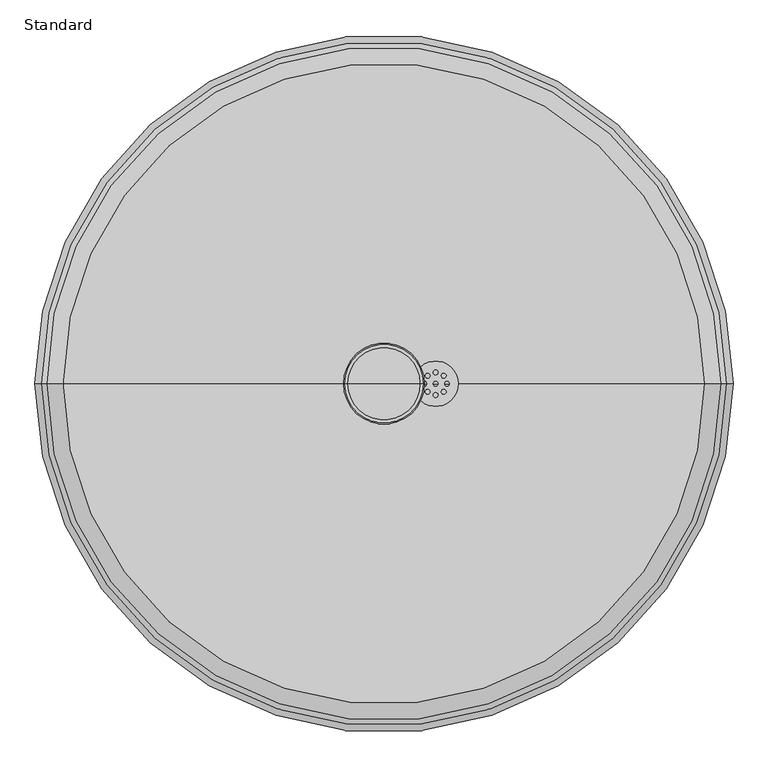
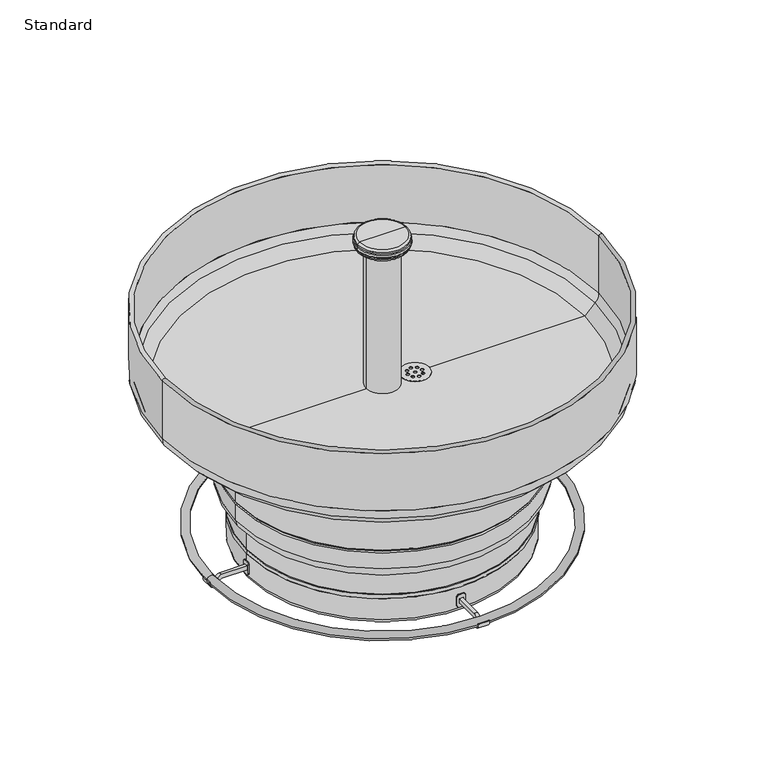
"""IFC4 building model written with IfcOpenShell, lengths in millimetres: flow terminal geometry, Standard."""

from ifc_helpers import new_model, si_unit, point, frame, frame_2d, origin, place, context, project, spatial, polyline, circle_curve, ellipse_curve, trimmed, segment, composite_curve, outline, extrude, source, transform, mapped, element, save
from ifc_brep_helpers import plane_surface, cylinder_surface, revolved_surface, advanced_brep


def standard_7096fe48(model_context):
    return source(origin(), model_context, "Body", "SolidModel", [
        extrude(outline(composite_curve([segment(trimmed(circle_curve(frame_2d((101.6, 0.0)), 44.45), [point((146.05, 0.0))], [point((57.15, 0.0))], False, "CARTESIAN"), True, "CONTINUOUS"), segment(trimmed(circle_curve(frame_2d((101.6, 0.0)), 44.45), [point((57.15, 0.0))], [point((146.05, 0.0))], False, "CARTESIAN"), True, "CONTINUOUS")], self_intersect=False), holes=[composite_curve([segment(trimmed(circle_curve(frame_2d((101.6, 0.0)), 4.6785593), [point((106.2785593, 0.0))], [point((96.9214407, 0.0))], True, "CARTESIAN"), True, "CONTINUOUS"), segment(trimmed(circle_curve(frame_2d((101.6, 0.0)), 4.6785593), [point((96.9214407, 0.0))], [point((106.2785593, 0.0))], True, "CARTESIAN"), True, "CONTINUOUS")], self_intersect=False), composite_curve([segment(trimmed(circle_curve(frame_2d((101.6, 22.2938099)), 4.6785593), [point((106.2785593, 22.2938099))], [point((96.9214407, 22.2938099))], True, "CARTESIAN"), True, "CONTINUOUS"), segment(trimmed(circle_curve(frame_2d((101.6, 22.2938099)), 4.6785593), [point((96.9214407, 22.2938099))], [point((106.2785593, 22.2938099))], True, "CARTESIAN"), True, "CONTINUOUS")], self_intersect=False), composite_curve([segment(trimmed(circle_curve(frame_2d((79.3061901, 0.0)), 4.6785593), [point((83.9847494, 0.0))], [point((74.6276309, 0.0))], True, "CARTESIAN"), True, "CONTINUOUS"), segment(trimmed(circle_curve(frame_2d((79.3061901, 0.0)), 4.6785593), [point((74.6276309, 0.0))], [point((83.9847494, 0.0))], True, "CARTESIAN"), True, "CONTINUOUS")], self_intersect=False), composite_curve([segment(trimmed(circle_curve(frame_2d((101.6, -22.2938099)), 4.6785593), [point((106.2785593, -22.2938099))], [point((96.9214407, -22.2938099))], True, "CARTESIAN"), True, "CONTINUOUS"), segment(trimmed(circle_curve(frame_2d((101.6, -22.2938099)), 4.6785593), [point((96.9214407, -22.2938099))], [point((106.2785593, -22.2938099))], True, "CARTESIAN"), True, "CONTINUOUS")], self_intersect=False), composite_curve([segment(trimmed(circle_curve(frame_2d((123.8938099, 0.0)), 4.6785593), [point((128.5723691, 0.0))], [point((119.2152506, 0.0))], True, "CARTESIAN"), True, "CONTINUOUS"), segment(trimmed(circle_curve(frame_2d((123.8938099, 0.0)), 4.6785593), [point((119.2152506, 0.0))], [point((128.5723691, 0.0))], True, "CARTESIAN"), True, "CONTINUOUS")], self_intersect=False), composite_curve([segment(trimmed(circle_curve(frame_2d((117.3641041, 15.7641041)), 4.6785593), [point((122.0426634, 15.7641041))], [point((112.6855449, 15.7641041))], True, "CARTESIAN"), True, "CONTINUOUS"), segment(trimmed(circle_curve(frame_2d((117.3641041, 15.7641041)), 4.6785593), [point((112.6855449, 15.7641041))], [point((122.0426634, 15.7641041))], True, "CARTESIAN"), True, "CONTINUOUS")], self_intersect=False), composite_curve([segment(trimmed(circle_curve(frame_2d((85.8358959, 15.7641041)), 4.6785593), [point((90.5144551, 15.7641041))], [point((81.1573366, 15.7641041))], True, "CARTESIAN"), True, "CONTINUOUS"), segment(trimmed(circle_curve(frame_2d((85.8358959, 15.7641041)), 4.6785593), [point((81.1573366, 15.7641041))], [point((90.5144551, 15.7641041))], True, "CARTESIAN"), True, "CONTINUOUS")], self_intersect=False), composite_curve([segment(trimmed(circle_curve(frame_2d((85.8358959, -15.7641041)), 4.6785593), [point((90.5144551, -15.7641041))], [point((81.1573366, -15.7641041))], True, "CARTESIAN"), True, "CONTINUOUS"), segment(trimmed(circle_curve(frame_2d((85.8358959, -15.7641041)), 4.6785593), [point((81.1573366, -15.7641041))], [point((90.5144551, -15.7641041))], True, "CARTESIAN"), True, "CONTINUOUS")], self_intersect=False), composite_curve([segment(trimmed(circle_curve(frame_2d((117.3641041, -15.7641041)), 4.6785593), [point((122.0426634, -15.7641041))], [point((112.6855449, -15.7641041))], True, "CARTESIAN"), True, "CONTINUOUS"), segment(trimmed(circle_curve(frame_2d((117.3641041, -15.7641041)), 4.6785593), [point((112.6855449, -15.7641041))], [point((122.0426634, -15.7641041))], True, "CARTESIAN"), True, "CONTINUOUS")], self_intersect=False)]), frame((0.0, 0.0, 495.3), z_axis=(0.0, 0.0, 1.0), x_axis=(1.0, 0.0, 0.0)), (0.0, 0.0, 1.0), 0.7185645),
        advanced_brep(
        [(635.0, 0.0, 482.6005334), (-635.0, 0.0, 482.6005334), (-670.9210245, 0.0, 518.5215579), (670.9210245, 0.0, 518.5215579), (146.05, 0.0, 482.6005334), (57.15, 0.0, 482.6005334), (0.0, 0.0, 482.6005334), (629.7394878, 0.0, 495.3005334), (-629.7394878, 0.0, 495.3005334), (0.0, 0.0, 495.3005334), (57.15, 0.0, 495.3005334), (146.05, 0.0, 495.3005334), (661.9407684, 0.0, 527.501814), (-661.9407684, 0.0, 527.501814), (673.1, 0.0, 554.4425824), (-673.1, 0.0, 554.4425824), (673.1, 0.0, 742.95), (-673.1, 0.0, 742.95), (685.8, 0.0, 742.95), (-685.8, 0.0, 742.95), (685.8, 0.0, 554.4425824), (-685.8, 0.0, 554.4425824)],
        [
            (0, 1, circle_curve(frame((0.0, 0.0, 482.6005334), z_axis=(0.0, 0.0, 1.0), x_axis=(-1.0, 0.0, 0.0)), 635.0)),
            (1, 2),
            (2, 3, circle_curve(frame((0.0, 0.0, 518.5215579), z_axis=(0.0, 0.0, -1.0), x_axis=(-1.0, 0.0, 0.0)), 670.9210245)),
            (3, 0),
            (1, 0, circle_curve(frame((0.0, 0.0, 482.6005334), z_axis=(0.0, 0.0, 1.0), x_axis=(-1.0, 0.0, 0.0)), 635.0)),
            (3, 2, circle_curve(frame((0.0, 0.0, 518.5215579), z_axis=(0.0, 0.0, -1.0), x_axis=(-1.0, 0.0, 0.0)), 670.9210245)),
            (0, 4),
            (4, 5, circle_curve(frame((101.6, 0.0, 482.6005334), z_axis=(0.0, 0.0, 1.0), x_axis=(-1.0, 0.0, 0.0)), 44.45)),
            (5, 6),
            (6, 1),
            (5, 4, circle_curve(frame((101.6, 0.0, 482.6005334), z_axis=(0.0, 0.0, 1.0), x_axis=(-1.0, 0.0, 0.0)), 44.45)),
            (7, 8, circle_curve(frame((0.0, 0.0, 495.3005334), z_axis=(0.0, 0.0, 1.0), x_axis=(-1.0, 0.0, 0.0)), 629.7394878)),
            (8, 9),
            (9, 10),
            (10, 11, circle_curve(frame((101.6, 0.0, 495.3005334), z_axis=(0.0, 0.0, -1.0), x_axis=(-1.0, 0.0, 0.0)), 44.45)),
            (11, 7),
            (8, 7, circle_curve(frame((0.0, 0.0, 495.3005334), z_axis=(0.0, 0.0, 1.0), x_axis=(-1.0, 0.0, 0.0)), 629.7394878)),
            (11, 10, circle_curve(frame((101.6, 0.0, 495.3005334), z_axis=(0.0, 0.0, -1.0), x_axis=(-1.0, 0.0, 0.0)), 44.45)),
            (7, 12),
            (12, 13, circle_curve(frame((0.0, 0.0, 527.501814), z_axis=(0.0, 0.0, 1.0), x_axis=(-1.0, 0.0, 0.0)), 661.9407684)),
            (13, 8),
            (13, 12, circle_curve(frame((0.0, 0.0, 527.501814), z_axis=(0.0, 0.0, 1.0), x_axis=(-1.0, 0.0, 0.0)), 661.9407684)),
            (12, 14, circle_curve(frame((635.0, 0.0, 554.4425824), z_axis=(0.0, -1.0, 0.0), x_axis=(-1.0, 0.0, 0.0)), 38.1)),
            (14, 15, circle_curve(frame((0.0, 0.0, 554.4425824), z_axis=(0.0, 0.0, 1.0), x_axis=(-1.0, 0.0, 0.0)), 673.1)),
            (15, 13, circle_curve(frame((-635.0, 0.0, 554.4425824), z_axis=(0.0, -1.0, 0.0), x_axis=(1.0, 0.0, 0.0)), 38.1)),
            (15, 14, circle_curve(frame((0.0, 0.0, 554.4425824), z_axis=(0.0, 0.0, 1.0), x_axis=(-1.0, 0.0, 0.0)), 673.1)),
            (14, 16),
            (16, 17, circle_curve(frame((0.0, 0.0, 742.95), z_axis=(0.0, 0.0, 1.0), x_axis=(-1.0, 0.0, 0.0)), 673.1)),
            (17, 15),
            (17, 16, circle_curve(frame((0.0, 0.0, 742.95), z_axis=(0.0, 0.0, 1.0), x_axis=(-1.0, 0.0, 0.0)), 673.1)),
            (16, 18, circle_curve(frame((679.45, 0.0, 742.95), z_axis=(0.0, 1.0, 0.0), x_axis=(-1.0, 0.0, 0.0)), 6.35)),
            (18, 19, circle_curve(frame((0.0, 0.0, 742.95), z_axis=(0.0, 0.0, 1.0), x_axis=(-1.0, 0.0, 0.0)), 685.8)),
            (19, 17, circle_curve(frame((-679.45, 0.0, 742.95), z_axis=(0.0, 1.0, 0.0), x_axis=(1.0, 0.0, 0.0)), 6.35)),
            (19, 18, circle_curve(frame((0.0, 0.0, 742.95), z_axis=(0.0, 0.0, 1.0), x_axis=(-1.0, 0.0, 0.0)), 685.8)),
            (18, 20),
            (20, 21, circle_curve(frame((0.0, 0.0, 554.4425824), z_axis=(0.0, 0.0, 1.0), x_axis=(-1.0, 0.0, 0.0)), 685.8)),
            (21, 19),
            (21, 20, circle_curve(frame((0.0, 0.0, 554.4425824), z_axis=(0.0, 0.0, 1.0), x_axis=(-1.0, 0.0, 0.0)), 685.8)),
            (2, 21, circle_curve(frame((-635.0, 0.0, 554.4425824), z_axis=(0.0, 1.0, 0.0), x_axis=(1.0, 0.0, 0.0)), 50.8)),
            (20, 3, circle_curve(frame((635.0, 0.0, 554.4425824), z_axis=(0.0, 1.0, 0.0), x_axis=(-1.0, 0.0, 0.0)), 50.8)),
            (4, 11),
            (10, 5),
        ],
        [
            revolved_surface(polyline([(-670.9210245, 0.0, 518.5215579), (-635.0, 0.0, 482.6005334)]), (0.0, 0.0, 844.793579), (0.0, 0.0, -1.0)),
            plane_surface(frame((0.0, 0.0, 482.6005334), z_axis=(0.0, 0.0, -1.0), x_axis=(-1.0, 0.0, 0.0))),
            plane_surface(frame((0.0, 0.0, 495.3005334), z_axis=(0.0, 0.0, 1.0), x_axis=(-1.0, 0.0, 0.0))),
            revolved_surface(polyline([(-629.7394878, 0.0, 495.3005334), (-661.9407684, 0.0, 527.501814)]), (0.0, 0.0, 844.793579), (0.0, 0.0, -1.0)),
            revolved_surface(trimmed(ellipse_curve(frame((-635.0, 0.0, 554.4425824), z_axis=(0.0, 1.0, 0.0), x_axis=(1.0, 0.0, 0.0)), 38.1, 38.1), [point((-661.9407684, 0.0, 527.501814))], [point((-673.1, 0.0, 554.4425824))], True, "CARTESIAN"), (0.0, 0.0, 844.793579), (0.0, 0.0, -1.0)),
            revolved_surface(polyline([(-673.1, 0.0, 554.4425824), (-673.1, 0.0, 742.95)]), (0.0, 0.0, 844.793579), (0.0, 0.0, -1.0)),
            revolved_surface(trimmed(ellipse_curve(frame((-679.45, 0.0, 742.95), z_axis=(0.0, -1.0, 0.0), x_axis=(1.0, 0.0, 0.0)), 6.35, 6.35), [point((-673.1, 0.0, 742.95))], [point((-685.8, 0.0, 742.95))], True, "CARTESIAN"), (0.0, 0.0, 844.793579), (0.0, 0.0, -1.0)),
            cylinder_surface(frame((0.0, 0.0, 844.793579), z_axis=(0.0, 0.0, -1.0), x_axis=(-1.0, 0.0, 0.0)), 685.8),
            revolved_surface(trimmed(ellipse_curve(frame((-635.0, 0.0, 554.4425824), z_axis=(0.0, -1.0, 0.0), x_axis=(1.0, 0.0, 0.0)), 50.8, 50.8), [point((-685.8, 0.0, 554.4425824))], [point((-670.9210245, 0.0, 518.5215579))], True, "CARTESIAN"), (0.0, 0.0, 844.793579), (0.0, 0.0, -1.0)),
            revolved_surface(polyline([(57.14999999999999, 0.0, 495.3005334), (57.14999999999999, 0.0, 482.6005334)]), (101.6, 0.0, 482.6), (0.0, 0.0, 1.0)),
        ],
        [
            (0, [[1, 2, 3, 4]]),
            (0, [[-2, 5, -4, 6]]),
            (1, [[-1, 7, 8, 9, 10]]),
            (1, [[-5, -10, -9, 11, -7]]),
            (2, [[12, 13, 14, 15, 16]]),
            (2, [[-13, 17, -16, 18, -14]]),
            (3, [[-12, 19, 20, 21]]),
            (3, [[-17, -21, 22, -19]]),
            (4, [[-20, 23, 24, 25]]),
            (4, [[-22, -25, 26, -23]]),
            (5, [[-24, 27, 28, 29]]),
            (5, [[-26, -29, 30, -27]]),
            (6, [[-28, 31, 32, 33]]),
            (6, [[-30, -33, 34, -31]]),
            (7, [[-32, 35, 36, 37]]),
            (7, [[-34, -37, 38, -35]]),
            (8, [[-3, 39, -36, 40]]),
            (8, [[-6, -40, -38, -39]]),
            (9, [[41, -15, 42, -8]]),
            (9, [[-41, -11, -42, -18]]),
        ],
    ),
        advanced_brep(
        [(453.0634322, 0.0, 368.3005334), (-453.0634322, 0.0, 368.3005334), (-456.2384322, 0.0, 371.4755334), (456.2384322, 0.0, 371.4755334), (453.0634322, 0.0, 365.1255334), (-453.0634322, 0.0, 365.1255334), (456.2384322, 0.0, 361.9505334), (-456.2384322, 0.0, 361.9505334), (456.2384322, 0.0, 265.1130334), (-456.2384322, 0.0, 265.1130334), (453.0634322, 0.0, 261.9380334), (-453.0634322, 0.0, 261.9380334), (453.0634322, 0.0, 258.7630334), (-453.0634322, 0.0, 258.7630334), (456.2384322, 0.0, 255.5880334), (-456.2384322, 0.0, 255.5880334), (456.2384322, 0.0, 203.2005334), (-456.2384322, 0.0, 203.2005334), (422.0540454, 0.0, 165.3022752), (-422.0540454, 0.0, 165.3022752), (422.0540454, 0.0, 96.6597), (-422.0540454, 0.0, 96.6597), (423.2732454, 0.0, 95.04299), (-423.2732454, 0.0, 95.04299), (423.2732454, 0.0, 82.4014354), (-423.2732454, 0.0, 82.4014354), (422.0540454, 0.0, 80.7847), (-422.0540454, 0.0, 80.7847), (422.0540454, 0.0, 12.7), (-422.0540454, 0.0, 12.7), (409.3540454, 0.0, 0.0), (-409.3540454, 0.0, 0.0), (0.0, 0.0, 0.0), (456.2384322, 0.0, 482.6005334), (-456.2384322, 0.0, 482.6005334), (0.0, 0.0, 482.6005334)],
        [
            (0, 1, circle_curve(frame((0.0, 0.0, 368.3005334), z_axis=(0.0, 0.0, 1.0), x_axis=(-1.0, 0.0, 0.0)), 453.0634322)),
            (1, 2),
            (2, 3, circle_curve(frame((0.0, 0.0, 371.4755334), z_axis=(0.0, 0.0, -1.0), x_axis=(-1.0, 0.0, 0.0)), 456.2384322)),
            (3, 0),
            (1, 0, circle_curve(frame((0.0, 0.0, 368.3005334), z_axis=(0.0, 0.0, 1.0), x_axis=(-1.0, 0.0, 0.0)), 453.0634322)),
            (3, 2, circle_curve(frame((0.0, 0.0, 371.4755334), z_axis=(0.0, 0.0, -1.0), x_axis=(-1.0, 0.0, 0.0)), 456.2384322)),
            (4, 5, circle_curve(frame((0.0, 0.0, 365.1255334), z_axis=(0.0, 0.0, 1.0), x_axis=(-1.0, 0.0, 0.0)), 453.0634322)),
            (5, 1),
            (0, 4),
            (5, 4, circle_curve(frame((0.0, 0.0, 365.1255334), z_axis=(0.0, 0.0, 1.0), x_axis=(-1.0, 0.0, 0.0)), 453.0634322)),
            (6, 7, circle_curve(frame((0.0, 0.0, 361.9505334), z_axis=(0.0, 0.0, 1.0), x_axis=(-1.0, 0.0, 0.0)), 456.2384322)),
            (7, 5),
            (4, 6),
            (7, 6, circle_curve(frame((0.0, 0.0, 361.9505334), z_axis=(0.0, 0.0, 1.0), x_axis=(-1.0, 0.0, 0.0)), 456.2384322)),
            (8, 9, circle_curve(frame((0.0, 0.0, 265.1130334), z_axis=(0.0, 0.0, 1.0), x_axis=(-1.0, 0.0, 0.0)), 456.2384322)),
            (9, 7),
            (6, 8),
            (9, 8, circle_curve(frame((0.0, 0.0, 265.1130334), z_axis=(0.0, 0.0, 1.0), x_axis=(-1.0, 0.0, 0.0)), 456.2384322)),
            (10, 11, circle_curve(frame((0.0, 0.0, 261.9380334), z_axis=(0.0, 0.0, 1.0), x_axis=(-1.0, 0.0, 0.0)), 453.0634322)),
            (11, 9),
            (8, 10),
            (11, 10, circle_curve(frame((0.0, 0.0, 261.9380334), z_axis=(0.0, 0.0, 1.0), x_axis=(-1.0, 0.0, 0.0)), 453.0634322)),
            (12, 13, circle_curve(frame((0.0, 0.0, 258.7630334), z_axis=(0.0, 0.0, 1.0), x_axis=(-1.0, 0.0, 0.0)), 453.0634322)),
            (13, 11),
            (10, 12),
            (13, 12, circle_curve(frame((0.0, 0.0, 258.7630334), z_axis=(0.0, 0.0, 1.0), x_axis=(-1.0, 0.0, 0.0)), 453.0634322)),
            (14, 15, circle_curve(frame((0.0, 0.0, 255.5880334), z_axis=(0.0, 0.0, 1.0), x_axis=(-1.0, 0.0, 0.0)), 456.2384322)),
            (15, 13),
            (12, 14),
            (15, 14, circle_curve(frame((0.0, 0.0, 255.5880334), z_axis=(0.0, 0.0, 1.0), x_axis=(-1.0, 0.0, 0.0)), 456.2384322)),
            (16, 17, circle_curve(frame((0.0, 0.0, 203.2005334), z_axis=(0.0, 0.0, 1.0), x_axis=(-1.0, 0.0, 0.0)), 456.2384322)),
            (17, 15),
            (14, 16),
            (17, 16, circle_curve(frame((0.0, 0.0, 203.2005334), z_axis=(0.0, 0.0, 1.0), x_axis=(-1.0, 0.0, 0.0)), 456.2384322)),
            (18, 19, circle_curve(frame((0.0, 0.0, 165.3022752), z_axis=(0.0, 0.0, 1.0), x_axis=(-1.0, 0.0, 0.0)), 422.0540454)),
            (19, 17, circle_curve(frame((-418.1384322, 0.0, 203.2005334), z_axis=(0.0, 1.0, 0.0), x_axis=(1.0, 0.0, 0.0)), 38.1)),
            (16, 18, circle_curve(frame((418.1384322, 0.0, 203.2005334), z_axis=(0.0, 1.0, 0.0), x_axis=(-1.0, 0.0, 0.0)), 38.1)),
            (19, 18, circle_curve(frame((0.0, 0.0, 165.3022752), z_axis=(0.0, 0.0, 1.0), x_axis=(-1.0, 0.0, 0.0)), 422.0540454)),
            (20, 21, circle_curve(frame((0.0, 0.0, 96.6597), z_axis=(0.0, 0.0, 1.0), x_axis=(-1.0, 0.0, 0.0)), 422.0540454)),
            (21, 19),
            (18, 20),
            (21, 20, circle_curve(frame((0.0, 0.0, 96.6597), z_axis=(0.0, 0.0, 1.0), x_axis=(-1.0, 0.0, 0.0)), 422.0540454)),
            (22, 23, circle_curve(frame((0.0, 0.0, 95.04299), z_axis=(0.0, 0.0, 1.0), x_axis=(-1.0, 0.0, 0.0)), 423.2732454)),
            (23, 21),
            (20, 22),
            (23, 22, circle_curve(frame((0.0, 0.0, 95.04299), z_axis=(0.0, 0.0, 1.0), x_axis=(-1.0, 0.0, 0.0)), 423.2732454)),
            (24, 25, circle_curve(frame((0.0, 0.0, 82.4014354), z_axis=(0.0, 0.0, 1.0), x_axis=(-1.0, 0.0, 0.0)), 423.2732454)),
            (25, 23),
            (22, 24),
            (25, 24, circle_curve(frame((0.0, 0.0, 82.4014354), z_axis=(0.0, 0.0, 1.0), x_axis=(-1.0, 0.0, 0.0)), 423.2732454)),
            (26, 27, circle_curve(frame((0.0, 0.0, 80.7847), z_axis=(0.0, 0.0, 1.0), x_axis=(-1.0, 0.0, 0.0)), 422.0540454)),
            (27, 25),
            (24, 26),
            (27, 26, circle_curve(frame((0.0, 0.0, 80.7847), z_axis=(0.0, 0.0, 1.0), x_axis=(-1.0, 0.0, 0.0)), 422.0540454)),
            (28, 29, circle_curve(frame((0.0, 0.0, 12.7), z_axis=(0.0, 0.0, 1.0), x_axis=(-1.0, 0.0, 0.0)), 422.0540454)),
            (29, 27),
            (26, 28),
            (29, 28, circle_curve(frame((0.0, 0.0, 12.7), z_axis=(0.0, 0.0, 1.0), x_axis=(-1.0, 0.0, 0.0)), 422.0540454)),
            (30, 31, circle_curve(frame((0.0, 0.0, 0.0), z_axis=(0.0, 0.0, 1.0), x_axis=(-1.0, 0.0, 0.0)), 409.3540454)),
            (31, 29, circle_curve(frame((-409.3540454, 0.0, 12.7), z_axis=(0.0, 1.0, 0.0), x_axis=(1.0, 0.0, 0.0)), 12.7)),
            (28, 30, circle_curve(frame((409.3540454, 0.0, 12.7), z_axis=(0.0, 1.0, 0.0), x_axis=(-1.0, 0.0, 0.0)), 12.7)),
            (31, 30, circle_curve(frame((0.0, 0.0, 0.0), z_axis=(0.0, 0.0, 1.0), x_axis=(-1.0, 0.0, 0.0)), 409.3540454)),
            (32, 31),
            (30, 32),
            (33, 34, circle_curve(frame((0.0, 0.0, 482.6005334), z_axis=(0.0, 0.0, 1.0), x_axis=(-1.0, 0.0, 0.0)), 456.2384322)),
            (34, 35),
            (35, 33),
            (34, 33, circle_curve(frame((0.0, 0.0, 482.6005334), z_axis=(0.0, 0.0, 1.0), x_axis=(-1.0, 0.0, 0.0)), 456.2384322)),
            (2, 34),
            (33, 3),
        ],
        [
            revolved_surface(polyline([(-456.2384322, 0.0, 371.4755334), (-453.0634322, 0.0, 368.3005334)]), (0.0, 0.0, 635.0005334), (0.0, 0.0, -1.0)),
            cylinder_surface(frame((0.0, 0.0, 635.0005334), z_axis=(0.0, 0.0, -1.0), x_axis=(-1.0, 0.0, 0.0)), 453.0634322),
            revolved_surface(polyline([(-453.0634322, 0.0, 365.1255334), (-456.2384322, 0.0, 361.9505334)]), (0.0, 0.0, 635.0005334), (0.0, 0.0, -1.0)),
            cylinder_surface(frame((0.0, 0.0, 635.0005334), z_axis=(0.0, 0.0, -1.0), x_axis=(-1.0, 0.0, 0.0)), 456.2384322),
            revolved_surface(polyline([(-456.2384322, 0.0, 265.1130334), (-453.0634322, 0.0, 261.9380334)]), (0.0, 0.0, 635.0005334), (0.0, 0.0, -1.0)),
            revolved_surface(polyline([(-453.0634322, 0.0, 258.7630334), (-456.2384322, 0.0, 255.5880334)]), (0.0, 0.0, 635.0005334), (0.0, 0.0, -1.0)),
            revolved_surface(trimmed(ellipse_curve(frame((-418.1384322, 0.0, 203.2005334), z_axis=(0.0, -1.0, 0.0), x_axis=(1.0, 0.0, 0.0)), 38.1, 38.1), [point((-456.2384322, 0.0, 203.2005334))], [point((-422.0540454, 0.0, 165.3022752))], True, "CARTESIAN"), (0.0, 0.0, 635.0005334), (0.0, 0.0, -1.0)),
            cylinder_surface(frame((0.0, 0.0, 635.0005334), z_axis=(0.0, 0.0, -1.0), x_axis=(-1.0, 0.0, 0.0)), 422.0540454),
            revolved_surface(polyline([(-422.0540454, 0.0, 96.6597), (-423.2732454, 0.0, 95.04299)]), (0.0, 0.0, 635.0005334), (0.0, 0.0, -1.0)),
            cylinder_surface(frame((0.0, 0.0, 635.0005334), z_axis=(0.0, 0.0, -1.0), x_axis=(-1.0, 0.0, 0.0)), 423.2732454),
            revolved_surface(polyline([(-423.2732454, 0.0, 82.4014354), (-422.0540454, 0.0, 80.7847)]), (0.0, 0.0, 635.0005334), (0.0, 0.0, -1.0)),
            revolved_surface(trimmed(ellipse_curve(frame((-409.3540454, 0.0, 12.7), z_axis=(0.0, -1.0, 0.0), x_axis=(1.0, 0.0, 0.0)), 12.7, 12.7), [point((-422.0540454, 0.0, 12.7))], [point((-409.3540454, 0.0, 0.0))], True, "CARTESIAN"), (0.0, 0.0, 635.0005334), (0.0, 0.0, -1.0)),
            plane_surface(frame((0.0, 0.0, 0.0), z_axis=(0.0, 0.0, -1.0), x_axis=(-1.0, 0.0, 0.0))),
            plane_surface(frame((0.0, 0.0, 482.6005334), z_axis=(0.0, 0.0, 1.0), x_axis=(-1.0, 0.0, 0.0))),
        ],
        [
            (0, [[1, 2, 3, 4]]),
            (0, [[5, -4, 6, -2]]),
            (1, [[7, 8, -1, 9]]),
            (1, [[10, -9, -5, -8]]),
            (2, [[11, 12, -7, 13]]),
            (2, [[14, -13, -10, -12]]),
            (3, [[15, 16, -11, 17]]),
            (3, [[18, -17, -14, -16]]),
            (4, [[19, 20, -15, 21]]),
            (4, [[22, -21, -18, -20]]),
            (1, [[23, 24, -19, 25]]),
            (1, [[26, -25, -22, -24]]),
            (5, [[27, 28, -23, 29]]),
            (5, [[30, -29, -26, -28]]),
            (3, [[31, 32, -27, 33]]),
            (3, [[34, -33, -30, -32]]),
            (6, [[35, 36, -31, 37]]),
            (6, [[38, -37, -34, -36]]),
            (7, [[39, 40, -35, 41]]),
            (7, [[42, -41, -38, -40]]),
            (8, [[43, 44, -39, 45]]),
            (8, [[46, -45, -42, -44]]),
            (9, [[47, 48, -43, 49]]),
            (9, [[50, -49, -46, -48]]),
            (10, [[51, 52, -47, 53]]),
            (10, [[54, -53, -50, -52]]),
            (7, [[55, 56, -51, 57]]),
            (7, [[58, -57, -54, -56]]),
            (11, [[59, 60, -55, 61]]),
            (11, [[62, -61, -58, -60]]),
            (12, [[63, -59, 64]]),
            (12, [[-64, -62, -63]]),
            (13, [[65, 66, 67]]),
            (13, [[68, -67, -66]]),
            (3, [[-3, 69, -65, 70]]),
            (3, [[-6, -70, -68, -69]]),
        ],
    ),
        advanced_brep(
        [(77.089, 0.0, 972.9475334), (-77.089, 0.0, 972.9475334), (-77.089, 0.0, 977.9005334), (77.089, 0.0, 977.9005334), (79.47025, 0.0, 970.5662834), (-79.47025, 0.0, 970.5662834), (79.47025, 0.0, 962.6287834), (-79.47025, 0.0, 962.6287834), (77.089, 0.0, 960.2475334), (-77.089, 0.0, 960.2475334), (77.089, 0.0, 955.2945334), (-77.089, 0.0, 955.2945334), (70.739, 0.0, 948.9445334), (-70.739, 0.0, 948.9445334), (50.8, 0.0, 948.9445334), (-50.8, 0.0, 948.9445334), (50.8, 0.0, 495.3), (-50.8, 0.0, 495.3), (0.0, 0.0, 495.3), (70.739, 0.0, 984.2505334), (-70.739, 0.0, 984.2505334), (0.0, 0.0, 984.2505334)],
        [
            (0, 1, circle_curve(frame((0.0, 0.0, 972.9475334), z_axis=(0.0, 0.0, 1.0), x_axis=(-1.0, 0.0, 0.0)), 77.089)),
            (1, 2),
            (2, 3, circle_curve(frame((0.0, 0.0, 977.9005334), z_axis=(0.0, 0.0, -1.0), x_axis=(-1.0, 0.0, 0.0)), 77.089)),
            (3, 0),
            (1, 0, circle_curve(frame((0.0, 0.0, 972.9475334), z_axis=(0.0, 0.0, 1.0), x_axis=(-1.0, 0.0, 0.0)), 77.089)),
            (3, 2, circle_curve(frame((0.0, 0.0, 977.9005334), z_axis=(0.0, 0.0, -1.0), x_axis=(-1.0, 0.0, 0.0)), 77.089)),
            (4, 5, circle_curve(frame((0.0, 0.0, 970.5662834), z_axis=(0.0, 0.0, 1.0), x_axis=(-1.0, 0.0, 0.0)), 79.47025)),
            (5, 1, circle_curve(frame((-77.089, 0.0, 970.5662834), z_axis=(0.0, 1.0, 0.0), x_axis=(1.0, 0.0, 0.0)), 2.38125)),
            (0, 4, circle_curve(frame((77.089, 0.0, 970.5662834), z_axis=(0.0, 1.0, 0.0), x_axis=(-1.0, 0.0, 0.0)), 2.38125)),
            (5, 4, circle_curve(frame((0.0, 0.0, 970.5662834), z_axis=(0.0, 0.0, 1.0), x_axis=(-1.0, 0.0, 0.0)), 79.47025)),
            (6, 7, circle_curve(frame((0.0, 0.0, 962.6287834), z_axis=(0.0, 0.0, 1.0), x_axis=(-1.0, 0.0, 0.0)), 79.47025)),
            (7, 5),
            (4, 6),
            (7, 6, circle_curve(frame((0.0, 0.0, 962.6287834), z_axis=(0.0, 0.0, 1.0), x_axis=(-1.0, 0.0, 0.0)), 79.47025)),
            (8, 9, circle_curve(frame((0.0, 0.0, 960.2475334), z_axis=(0.0, 0.0, 1.0), x_axis=(-1.0, 0.0, 0.0)), 77.089)),
            (9, 7, circle_curve(frame((-77.089, 0.0, 962.6287834), z_axis=(0.0, 1.0, 0.0), x_axis=(1.0, 0.0, 0.0)), 2.38125)),
            (6, 8, circle_curve(frame((77.089, 0.0, 962.6287834), z_axis=(0.0, 1.0, 0.0), x_axis=(-1.0, 0.0, 0.0)), 2.38125)),
            (9, 8, circle_curve(frame((0.0, 0.0, 960.2475334), z_axis=(0.0, 0.0, 1.0), x_axis=(-1.0, 0.0, 0.0)), 77.089)),
            (10, 11, circle_curve(frame((0.0, 0.0, 955.2945334), z_axis=(0.0, 0.0, 1.0), x_axis=(-1.0, 0.0, 0.0)), 77.089)),
            (11, 9),
            (8, 10),
            (11, 10, circle_curve(frame((0.0, 0.0, 955.2945334), z_axis=(0.0, 0.0, 1.0), x_axis=(-1.0, 0.0, 0.0)), 77.089)),
            (12, 13, circle_curve(frame((0.0, 0.0, 948.9445334), z_axis=(0.0, 0.0, 1.0), x_axis=(-1.0, 0.0, 0.0)), 70.739)),
            (13, 11, circle_curve(frame((-70.739, 0.0, 955.2945334), z_axis=(0.0, 1.0, 0.0), x_axis=(1.0, 0.0, 0.0)), 6.35)),
            (10, 12, circle_curve(frame((70.739, 0.0, 955.2945334), z_axis=(0.0, 1.0, 0.0), x_axis=(-1.0, 0.0, 0.0)), 6.35)),
            (13, 12, circle_curve(frame((0.0, 0.0, 948.9445334), z_axis=(0.0, 0.0, 1.0), x_axis=(-1.0, 0.0, 0.0)), 70.739)),
            (14, 15, circle_curve(frame((0.0, 0.0, 948.9445334), z_axis=(0.0, 0.0, 1.0), x_axis=(-1.0, 0.0, 0.0)), 50.8)),
            (15, 13),
            (12, 14),
            (15, 14, circle_curve(frame((0.0, 0.0, 948.9445334), z_axis=(0.0, 0.0, 1.0), x_axis=(-1.0, 0.0, 0.0)), 50.8)),
            (16, 17, circle_curve(frame((0.0, 0.0, 495.3), z_axis=(0.0, 0.0, 1.0), x_axis=(-1.0, 0.0, 0.0)), 50.8)),
            (17, 15),
            (14, 16),
            (17, 16, circle_curve(frame((0.0, 0.0, 495.3), z_axis=(0.0, 0.0, 1.0), x_axis=(-1.0, 0.0, 0.0)), 50.8)),
            (18, 17),
            (16, 18),
            (19, 20, circle_curve(frame((0.0, 0.0, 984.2505334), z_axis=(0.0, 0.0, 1.0), x_axis=(-1.0, 0.0, 0.0)), 70.739)),
            (20, 21),
            (21, 19),
            (20, 19, circle_curve(frame((0.0, 0.0, 984.2505334), z_axis=(0.0, 0.0, 1.0), x_axis=(-1.0, 0.0, 0.0)), 70.739)),
            (2, 20, circle_curve(frame((-70.739, 0.0, 977.9005334), z_axis=(0.0, 1.0, 0.0), x_axis=(1.0, 0.0, 0.0)), 6.35)),
            (19, 3, circle_curve(frame((70.739, 0.0, 977.9005334), z_axis=(0.0, 1.0, 0.0), x_axis=(-1.0, 0.0, 0.0)), 6.35)),
        ],
        [
            cylinder_surface(frame((0.0, 0.0, 1015.8857941), z_axis=(0.0, 0.0, -1.0), x_axis=(-1.0, 0.0, 0.0)), 77.089),
            revolved_surface(trimmed(ellipse_curve(frame((-77.089, 0.0, 970.5662834), z_axis=(0.0, -1.0, 0.0), x_axis=(1.0, 0.0, 0.0)), 2.38125, 2.38125), [point((-77.089, 0.0, 972.9475334))], [point((-79.47025, 0.0, 970.5662834))], True, "CARTESIAN"), (0.0, 0.0, 1015.8857941), (0.0, 0.0, -1.0)),
            cylinder_surface(frame((0.0, 0.0, 1015.8857941), z_axis=(0.0, 0.0, -1.0), x_axis=(-1.0, 0.0, 0.0)), 79.47025),
            revolved_surface(trimmed(ellipse_curve(frame((-77.089, 0.0, 962.6287834), z_axis=(0.0, -1.0, 0.0), x_axis=(1.0, 0.0, 0.0)), 2.38125, 2.38125), [point((-79.47025, 0.0, 962.6287834))], [point((-77.089, 0.0, 960.2475334))], True, "CARTESIAN"), (0.0, 0.0, 1015.8857941), (0.0, 0.0, -1.0)),
            revolved_surface(trimmed(ellipse_curve(frame((-70.739, 0.0, 955.2945334), z_axis=(0.0, -1.0, 0.0), x_axis=(1.0, 0.0, 0.0)), 6.35, 6.35), [point((-77.089, 0.0, 955.2945334))], [point((-70.739, 0.0, 948.9445334))], True, "CARTESIAN"), (0.0, 0.0, 1015.8857941), (0.0, 0.0, -1.0)),
            plane_surface(frame((0.0, 0.0, 948.9445334), z_axis=(0.0, 0.0, -1.0), x_axis=(-1.0, 0.0, 0.0))),
            cylinder_surface(frame((0.0, 0.0, 1015.8857941), z_axis=(0.0, 0.0, -1.0), x_axis=(-1.0, 0.0, 0.0)), 50.8),
            plane_surface(frame((0.0, 0.0, 495.3), z_axis=(0.0, 0.0, -1.0), x_axis=(-1.0, 0.0, 0.0))),
            plane_surface(frame((0.0, 0.0, 984.2505334), z_axis=(0.0, 0.0, 1.0), x_axis=(-1.0, 0.0, 0.0))),
            revolved_surface(trimmed(ellipse_curve(frame((-70.739, 0.0, 977.9005334), z_axis=(0.0, -1.0, 0.0), x_axis=(1.0, 0.0, 0.0)), 6.35, 6.35), [point((-70.739, 0.0, 984.2505334))], [point((-77.089, 0.0, 977.9005334))], True, "CARTESIAN"), (0.0, 0.0, 1015.8857941), (0.0, 0.0, -1.0)),
        ],
        [
            (0, [[1, 2, 3, 4]]),
            (0, [[5, -4, 6, -2]]),
            (1, [[7, 8, -1, 9]]),
            (1, [[10, -9, -5, -8]]),
            (2, [[11, 12, -7, 13]]),
            (2, [[14, -13, -10, -12]]),
            (3, [[15, 16, -11, 17]]),
            (3, [[18, -17, -14, -16]]),
            (0, [[19, 20, -15, 21]]),
            (0, [[22, -21, -18, -20]]),
            (4, [[23, 24, -19, 25]]),
            (4, [[26, -25, -22, -24]]),
            (5, [[27, 28, -23, 29]]),
            (5, [[30, -29, -26, -28]]),
            (6, [[31, 32, -27, 33]]),
            (6, [[34, -33, -30, -32]]),
            (7, [[35, -31, 36]]),
            (7, [[-36, -34, -35]]),
            (8, [[37, 38, 39]]),
            (8, [[40, -39, -38]]),
            (9, [[-3, 41, -37, 42]]),
            (9, [[-6, -42, -40, -41]]),
        ],
    ),
        extrude(outline(composite_curve([segment(trimmed(circle_curve(frame_2d((52.9491891, -6.2228321)), 6.35), [point((59.2991891, -6.2228321))], [point((52.9491891, -12.5728321))], False, "CARTESIAN"), True, "CONTINUOUS"), segment(polyline([(52.9491891, -12.5728321), (24.3741891, -12.5728321)]), True, "CONTINUOUS"), segment(trimmed(circle_curve(frame_2d((24.3741891, -6.2228321)), 6.35), [point((24.3741891, -12.5728321))], [point((18.0241891, -6.2228321))], False, "CARTESIAN"), True, "CONTINUOUS"), segment(polyline([(18.0241891, -6.2228321), (18.0241891, 6.4771679)]), True, "CONTINUOUS"), segment(trimmed(circle_curve(frame_2d((24.3741891, 6.4771679)), 6.35), [point((18.0241891, 6.4771679))], [point((24.3741891, 12.8271679))], False, "CARTESIAN"), True, "CONTINUOUS"), segment(polyline([(24.3741891, 12.8271679), (52.9491891, 12.8271679)]), True, "CONTINUOUS"), segment(trimmed(circle_curve(frame_2d((52.9491891, 6.4771679)), 6.35), [point((52.9491891, 12.8271679))], [point((59.2991891, 6.4771679))], False, "CARTESIAN"), True, "CONTINUOUS"), segment(polyline([(59.2991891, 6.4771679), (59.2991891, -6.2228321)]), True, "CONTINUOUS")], self_intersect=False), holes=[polyline([(46.1317867, 6.1504042), (31.1915915, 6.1504042), (31.1915915, -6.0566187), (46.1317867, -6.0566187), (46.1317867, 6.1504042)])]), frame((0.0, -425.0728189, 0.0), z_axis=(0.0, 1.0, 0.0), x_axis=(0.0, 0.0, 1.0)), (0.0, 0.0, 1.0), 2.9952129),
        extrude(outline(composite_curve([segment(polyline([(59.2991891, 6.2228321), (59.2991891, -6.4771679)]), True, "CONTINUOUS"), segment(trimmed(circle_curve(frame_2d((52.9491891, -6.4771679)), 6.35), [point((59.2991891, -6.4771679))], [point((52.9491891, -12.8271679))], False, "CARTESIAN"), True, "CONTINUOUS"), segment(polyline([(52.9491891, -12.8271679), (24.3741891, -12.8271679)]), True, "CONTINUOUS"), segment(trimmed(circle_curve(frame_2d((24.3741891, -6.4771679)), 6.35), [point((24.3741891, -12.8271679))], [point((18.0241891, -6.4771679))], False, "CARTESIAN"), True, "CONTINUOUS"), segment(polyline([(18.0241891, -6.4771679), (18.0241891, 6.2228321)]), True, "CONTINUOUS"), segment(trimmed(circle_curve(frame_2d((24.3741891, 6.2228321)), 6.35), [point((18.0241891, 6.2228321))], [point((24.3741891, 12.5728321))], False, "CARTESIAN"), True, "CONTINUOUS"), segment(polyline([(24.3741891, 12.5728321), (52.9491891, 12.5728321)]), True, "CONTINUOUS"), segment(trimmed(circle_curve(frame_2d((52.9491891, 6.2228321)), 6.35), [point((52.9491891, 12.5728321))], [point((59.2991891, 6.2228321))], False, "CARTESIAN"), True, "CONTINUOUS")], self_intersect=False), holes=[polyline([(46.1317867, -6.1504042), (46.1317867, 6.0566187), (31.1915915, 6.0566187), (31.1915915, -6.1504042), (46.1317867, -6.1504042)])]), frame((0.0, 422.0540454, 0.0), z_axis=(0.0, 1.0, 0.0), x_axis=(0.0, 0.0, 1.0)), (0.0, 0.0, 1.0), 2.7244614),
        extrude(outline(composite_curve([segment(trimmed(circle_curve(frame_2d((6.2228321, 52.9491891)), 6.35), [point((6.2228321, 59.2991891))], [point((12.5728321, 52.9491891))], False, "CARTESIAN"), True, "CONTINUOUS"), segment(polyline([(12.5728321, 52.9491891), (12.5728321, 24.3741891)]), True, "CONTINUOUS"), segment(trimmed(circle_curve(frame_2d((6.2228321, 24.3741891)), 6.35), [point((12.5728321, 24.3741891))], [point((6.2228321, 18.0241891))], False, "CARTESIAN"), True, "CONTINUOUS"), segment(polyline([(6.2228321, 18.0241891), (-6.4771679, 18.0241891)]), True, "CONTINUOUS"), segment(trimmed(circle_curve(frame_2d((-6.4771679, 24.3741891)), 6.35), [point((-6.4771679, 18.0241891))], [point((-12.8271679, 24.3741891))], False, "CARTESIAN"), True, "CONTINUOUS"), segment(polyline([(-12.8271679, 24.3741891), (-12.8271679, 52.9491891)]), True, "CONTINUOUS"), segment(trimmed(circle_curve(frame_2d((-6.4771679, 52.9491891)), 6.35), [point((-12.8271679, 52.9491891))], [point((-6.4771679, 59.2991891))], False, "CARTESIAN"), True, "CONTINUOUS"), segment(polyline([(-6.4771679, 59.2991891), (6.2228321, 59.2991891)]), True, "CONTINUOUS")], self_intersect=False), holes=[polyline([(-6.1504042, 46.1317867), (-6.1504042, 31.1915915), (6.0566187, 31.1915915), (6.0566187, 46.1317867), (-6.1504042, 46.1317867)])]), frame((422.0540454, 0.0, 0.0), z_axis=(1.0, 0.0, 0.0), x_axis=(0.0, 1.0, 0.0)), (0.0, 0.0, 1.0), 2.9196842),
        extrude(outline(composite_curve([segment(polyline([(-6.2228321, 59.2991891), (6.4771679, 59.2991891)]), True, "CONTINUOUS"), segment(trimmed(circle_curve(frame_2d((6.4771679, 52.9491891)), 6.35), [point((6.4771679, 59.2991891))], [point((12.8271679, 52.9491891))], False, "CARTESIAN"), True, "CONTINUOUS"), segment(polyline([(12.8271679, 52.9491891), (12.8271679, 24.3741891)]), True, "CONTINUOUS"), segment(trimmed(circle_curve(frame_2d((6.4771679, 24.3741891)), 6.35), [point((12.8271679, 24.3741891))], [point((6.4771679, 18.0241891))], False, "CARTESIAN"), True, "CONTINUOUS"), segment(polyline([(6.4771679, 18.0241891), (-6.2228321, 18.0241891)]), True, "CONTINUOUS"), segment(trimmed(circle_curve(frame_2d((-6.2228321, 24.3741891)), 6.35), [point((-6.2228321, 18.0241891))], [point((-12.5728321, 24.3741891))], False, "CARTESIAN"), True, "CONTINUOUS"), segment(polyline([(-12.5728321, 24.3741891), (-12.5728321, 52.9491891)]), True, "CONTINUOUS"), segment(trimmed(circle_curve(frame_2d((-6.2228321, 52.9491891)), 6.35), [point((-12.5728321, 52.9491891))], [point((-6.2228321, 59.2991891))], False, "CARTESIAN"), True, "CONTINUOUS")], self_intersect=False), holes=[polyline([(6.1504042, 46.1317867), (-6.0566187, 46.1317867), (-6.0566187, 31.1915915), (6.1504042, 31.1915915), (6.1504042, 46.1317867)])]), frame((-424.7785068, 0.0, 0.0), z_axis=(1.0, 0.0, 0.0), x_axis=(0.0, 1.0, 0.0)), (0.0, 0.0, 1.0), 2.7244614),
        extrude(outline(composite_curve([segment(polyline([(422.0776059, 45.0135425), (503.1114607, 45.0135425)]), True, "CONTINUOUS"), segment(trimmed(circle_curve(frame_2d((503.1114607, 27.600308)), 17.4132345), [point((503.1114607, 45.0135425))], [point((518.1835615, 36.3211173))], False, "CARTESIAN"), True, "CONTINUOUS"), segment(trimmed(circle_curve(frame_2d((533.4235615, 36.3211173)), 15.24), [point((518.1835615, 36.3211173))], [point((533.4235615, 21.0811173))], True, "CARTESIAN"), True, "CONTINUOUS"), segment(trimmed(circle_curve(frame_2d((528.4017885, 49.1456666)), 28.5102986), [point((533.4235615, 21.0811173))], [point((506.6992563, 30.656826))], False, "CARTESIAN"), True, "CONTINUOUS"), segment(trimmed(circle_curve(frame_2d((503.1114607, 27.600308)), 4.7132345), [point((506.6992563, 30.656826))], [point((503.1114607, 32.3135425))], True, "CARTESIAN"), True, "CONTINUOUS"), segment(polyline([(503.1114607, 32.3135425), (422.0776059, 32.3135425), (422.0776059, 45.0135425)]), True, "CONTINUOUS")], self_intersect=False)), frame((-4.975411, 0.0, 0.0), z_axis=(1.0, 0.0, 0.0), x_axis=(0.0, 1.0, 0.0)), (0.0, 0.0, 1.0), 10.055411),
        extrude(outline(composite_curve([segment(polyline([(-422.0776059, 45.0135425), (-422.0776059, 32.3135425), (-503.1114607, 32.3135425)]), True, "CONTINUOUS"), segment(trimmed(circle_curve(frame_2d((-503.1114607, 27.600308)), 4.7132345), [point((-503.1114607, 32.3135425))], [point((-506.6992563, 30.656826))], True, "CARTESIAN"), True, "CONTINUOUS"), segment(trimmed(circle_curve(frame_2d((-528.4017885, 49.1456666)), 28.5102986), [point((-506.6992563, 30.656826))], [point((-533.4235615, 21.0811173))], False, "CARTESIAN"), True, "CONTINUOUS"), segment(trimmed(circle_curve(frame_2d((-533.4235615, 36.3211173)), 15.24), [point((-533.4235615, 21.0811173))], [point((-518.1835615, 36.3211173))], True, "CARTESIAN"), True, "CONTINUOUS"), segment(trimmed(circle_curve(frame_2d((-503.1114607, 27.600308)), 17.4132345), [point((-518.1835615, 36.3211173))], [point((-503.1114607, 45.0135425))], False, "CARTESIAN"), True, "CONTINUOUS"), segment(polyline([(-503.1114607, 45.0135425), (-422.0776059, 45.0135425)]), True, "CONTINUOUS")], self_intersect=False)), frame((-4.975411, 0.0, 0.0), z_axis=(1.0, 0.0, 0.0), x_axis=(0.0, 1.0, 0.0)), (0.0, 0.0, 1.0), 10.055411),
        extrude(outline(composite_curve([segment(polyline([(44.8880894, -422.0540454), (44.8880894, -503.0879002)]), True, "CONTINUOUS"), segment(trimmed(circle_curve(frame_2d((27.4748549, -503.0879002)), 17.4132345), [point((44.8880894, -503.0879002))], [point((36.1956642, -518.160001))], False, "CARTESIAN"), True, "CONTINUOUS"), segment(trimmed(circle_curve(frame_2d((36.1956642, -533.400001)), 15.24), [point((36.1956642, -518.160001))], [point((20.9556642, -533.400001))], True, "CARTESIAN"), True, "CONTINUOUS"), segment(trimmed(circle_curve(frame_2d((49.0202134, -528.378228)), 28.5102986), [point((20.9556642, -533.400001))], [point((30.5313729, -506.6756958))], False, "CARTESIAN"), True, "CONTINUOUS"), segment(trimmed(circle_curve(frame_2d((27.4748549, -503.0879002)), 4.7132345), [point((30.5313729, -506.6756958))], [point((32.1880894, -503.0879002))], True, "CARTESIAN"), True, "CONTINUOUS"), segment(polyline([(32.1880894, -503.0879002), (32.1880894, -422.0540454), (44.8880894, -422.0540454)]), True, "CONTINUOUS")], self_intersect=False)), frame((0.0, -5.08, 0.0), z_axis=(0.0, 1.0, 0.0), x_axis=(0.0, 0.0, 1.0)), (0.0, 0.0, 1.0), 10.16),
        extrude(outline(composite_curve([segment(polyline([(44.8880894, 422.0540454), (32.1880894, 422.0540454), (32.1880894, 503.0879002)]), True, "CONTINUOUS"), segment(trimmed(circle_curve(frame_2d((27.4748549, 503.0879002)), 4.7132345), [point((32.1880894, 503.0879002))], [point((30.5313729, 506.6756958))], True, "CARTESIAN"), True, "CONTINUOUS"), segment(trimmed(circle_curve(frame_2d((49.0202134, 528.378228)), 28.5102986), [point((30.5313729, 506.6756958))], [point((20.9556642, 533.400001))], False, "CARTESIAN"), True, "CONTINUOUS"), segment(trimmed(circle_curve(frame_2d((36.1956642, 533.400001)), 15.24), [point((20.9556642, 533.400001))], [point((36.1956642, 518.160001))], True, "CARTESIAN"), True, "CONTINUOUS"), segment(trimmed(circle_curve(frame_2d((27.4748549, 503.0879002)), 17.4132345), [point((36.1956642, 518.160001))], [point((44.8880894, 503.0879002))], False, "CARTESIAN"), True, "CONTINUOUS"), segment(polyline([(44.8880894, 503.0879002), (44.8880894, 422.0540454)]), True, "CONTINUOUS")], self_intersect=False)), frame((0.0, -5.08, 0.0), z_axis=(0.0, 1.0, 0.0), x_axis=(0.0, 0.0, 1.0)), (0.0, 0.0, 1.0), 10.16),
        extrude(outline(composite_curve([segment(trimmed(circle_curve(frame_2d((533.4, 36.195)), 12.7), [point((520.9930527, 38.9075005))], [point((545.6699491, 39.4719419))], True, "CARTESIAN"), True, "CONTINUOUS"), segment(trimmed(circle_curve(frame_2d((546.8969441, 39.7996361)), 1.27), [point((545.6699491, 39.4719419))], [point((548.123939, 40.1273303))], False, "CARTESIAN"), True, "CONTINUOUS"), segment(trimmed(circle_curve(frame_2d((533.4, 36.195)), 15.24), [point((548.123939, 40.1273303))], [point((518.5116633, 39.4500006))], False, "CARTESIAN"), True, "CONTINUOUS"), segment(trimmed(circle_curve(frame_2d((519.752358, 39.1787506)), 1.27), [point((518.5116633, 39.4500006))], [point((520.9930527, 38.9075005))], False, "CARTESIAN"), True, "CONTINUOUS")], self_intersect=False)), frame((-17.018, 0.0, 0.0), z_axis=(1.0, 0.0, 0.0), x_axis=(0.0, 1.0, 0.0)), (0.0, 0.0, 1.0), 34.036),
        extrude(outline(composite_curve([segment(trimmed(circle_curve(frame_2d((-519.752358, 39.1787506)), 1.27), [point((-520.9930527, 38.9075005))], [point((-518.5116633, 39.4500006))], False, "CARTESIAN"), True, "CONTINUOUS"), segment(trimmed(circle_curve(frame_2d((-533.4, 36.195)), 15.24), [point((-518.5116633, 39.4500006))], [point((-548.123939, 40.1273303))], False, "CARTESIAN"), True, "CONTINUOUS"), segment(trimmed(circle_curve(frame_2d((-546.8969441, 39.7996361)), 1.27), [point((-548.123939, 40.1273303))], [point((-545.6699491, 39.4719419))], False, "CARTESIAN"), True, "CONTINUOUS"), segment(trimmed(circle_curve(frame_2d((-533.4, 36.195)), 12.7), [point((-545.6699491, 39.4719419))], [point((-520.9930527, 38.9075005))], True, "CARTESIAN"), True, "CONTINUOUS")], self_intersect=False)), frame((-17.018, 0.0, 0.0), z_axis=(1.0, 0.0, 0.0), x_axis=(0.0, 1.0, 0.0)), (0.0, 0.0, 1.0), 34.036),
        extrude(outline(composite_curve([segment(trimmed(circle_curve(frame_2d((36.1916791, -533.4000004)), 12.7), [point((38.9041796, -520.9930532))], [point((39.4686209, -545.6699496))], True, "CARTESIAN"), True, "CONTINUOUS"), segment(trimmed(circle_curve(frame_2d((39.7963151, -546.8969445)), 1.27), [point((39.4686209, -545.6699496))], [point((40.1240093, -548.1239394))], False, "CARTESIAN"), True, "CONTINUOUS"), segment(trimmed(circle_curve(frame_2d((36.1916791, -533.4000004)), 15.24), [point((40.1240093, -548.1239394))], [point((39.4466797, -518.5116637))], False, "CARTESIAN"), True, "CONTINUOUS"), segment(trimmed(circle_curve(frame_2d((39.1754296, -519.7523584)), 1.27), [point((39.4466797, -518.5116637))], [point((38.9041796, -520.9930532))], False, "CARTESIAN"), True, "CONTINUOUS")], self_intersect=False)), frame((0.0, -17.018, 0.0), z_axis=(0.0, 1.0, 0.0), x_axis=(0.0, 0.0, 1.0)), (0.0, 0.0, 1.0), 34.036),
        extrude(outline(composite_curve([segment(trimmed(circle_curve(frame_2d((39.1754296, 519.7523584)), 1.27), [point((38.9041796, 520.9930532))], [point((39.4466797, 518.5116637))], False, "CARTESIAN"), True, "CONTINUOUS"), segment(trimmed(circle_curve(frame_2d((36.1916791, 533.4000004)), 15.24), [point((39.4466797, 518.5116637))], [point((40.1240093, 548.1239394))], False, "CARTESIAN"), True, "CONTINUOUS"), segment(trimmed(circle_curve(frame_2d((39.7963151, 546.8969445)), 1.27), [point((40.1240093, 548.1239394))], [point((39.4686209, 545.6699496))], False, "CARTESIAN"), True, "CONTINUOUS"), segment(trimmed(circle_curve(frame_2d((36.1916791, 533.4000004)), 12.7), [point((39.4686209, 545.6699496))], [point((38.9041796, 520.9930532))], True, "CARTESIAN"), True, "CONTINUOUS")], self_intersect=False)), frame((0.0, -17.018, 0.0), z_axis=(0.0, 1.0, 0.0), x_axis=(0.0, 0.0, 1.0)), (0.0, 0.0, 1.0), 34.036),
        advanced_brep(
        [(520.7, 0.0, 36.195), (-520.7, 0.0, 36.195), (-546.1, 0.0, 36.195), (546.1, 0.0, 36.195)],
        [
            (0, 1, circle_curve(frame((0.0, 0.0, 36.195), z_axis=(0.0, 0.0, -1.0), x_axis=(-1.0, 0.0, 0.0)), 520.7)),
            (1, 2, circle_curve(frame((-533.4, 0.0, 36.195), z_axis=(0.0, -1.0, 0.0), x_axis=(1.0, 0.0, 0.0)), 12.7)),
            (2, 3, circle_curve(frame((0.0, 0.0, 36.195), z_axis=(0.0, 0.0, 1.0), x_axis=(-1.0, 0.0, 0.0)), 546.1)),
            (3, 0, circle_curve(frame((533.4, 0.0, 36.195), z_axis=(0.0, -1.0, 0.0), x_axis=(-1.0, 0.0, 0.0)), 12.7)),
            (2, 1, circle_curve(frame((-533.4, 0.0, 36.195), z_axis=(0.0, -1.0, 0.0), x_axis=(1.0, 0.0, 0.0)), 12.7)),
            (0, 3, circle_curve(frame((533.4, 0.0, 36.195), z_axis=(0.0, -1.0, 0.0), x_axis=(-1.0, 0.0, 0.0)), 12.7)),
            (1, 0, circle_curve(frame((0.0, 0.0, 36.195), z_axis=(0.0, 0.0, -1.0), x_axis=(1.0, 0.0, 0.0)), 520.7)),
            (3, 2, circle_curve(frame((0.0, 0.0, 36.195), z_axis=(0.0, 0.0, 1.0), x_axis=(1.0, 0.0, 0.0)), 546.1)),
        ],
        [
            revolved_surface(trimmed(ellipse_curve(frame((-533.4, 0.0, 36.195), z_axis=(0.0, 1.0, 0.0), x_axis=(1.0, 0.0, 0.0)), 12.7, 12.7), [point((-546.1, 0.0, 36.195))], [point((-520.7, 0.0, 36.195))], True, "CARTESIAN"), (0.0, 0.0, 0.0), (0.0, 0.0, 1.0)),
            revolved_surface(trimmed(ellipse_curve(frame((-533.4, 0.0, 36.195), z_axis=(0.0, 1.0, 0.0), x_axis=(1.0, 0.0, 0.0)), 12.7, 12.7), [point((-520.7, 0.0, 36.195))], [point((-546.1, 0.0, 36.195))], True, "CARTESIAN"), (0.0, 0.0, 0.0), (0.0, 0.0, 1.0)),
            revolved_surface(trimmed(ellipse_curve(frame((533.4, 0.0, 36.195), z_axis=(0.0, -1.0, 0.0), x_axis=(-1.0, 0.0, 0.0)), 12.7, 12.7), [point((546.1, 0.0, 36.195))], [point((520.7, 0.0, 36.195))], True, "CARTESIAN"), (0.0, 0.0, 0.0), (0.0, 0.0, 1.0)),
            revolved_surface(trimmed(ellipse_curve(frame((533.4, 0.0, 36.195), z_axis=(0.0, -1.0, 0.0), x_axis=(-1.0, 0.0, 0.0)), 12.7, 12.7), [point((520.7, 0.0, 36.195))], [point((546.1, 0.0, 36.195))], True, "CARTESIAN"), (0.0, 0.0, 0.0), (0.0, 0.0, 1.0)),
        ],
        [
            (0, [[1, 2, 3, 4]]),
            (1, [[-3, 5, -1, 6]]),
            (2, [[7, -4, 8, -2]]),
            (3, [[-8, -6, -7, -5]]),
        ],
    ),
    ])


if __name__ == "__main__":
    model = new_model("IFC4")
    model_context = context("Model", 3, world=origin())
    ifc_project = project(units=[si_unit("LENGTHUNIT", "METRE", prefix="MILLI")], contexts=[model_context])
    site = spatial("IfcSite", under=ifc_project)
    building = spatial("IfcBuilding", under=site)
    placement = place(None, origin())
    standard_shape = standard_7096fe48(model_context)
    element("IfcFlowTerminal", 1, ObjectType="Standard", at=placement, inside=building, context=model_context, shape_type="MappedRepresentation", body=[
        mapped(standard_shape, transform((0.0, 0.0, 0.0), x_axis=(1.0, 0.0, 0.0), y_axis=(0.0, 1.0, 0.0), z_axis=(0.0, 0.0, 1.0))),
    ])
    save(model, "model.ifc")
